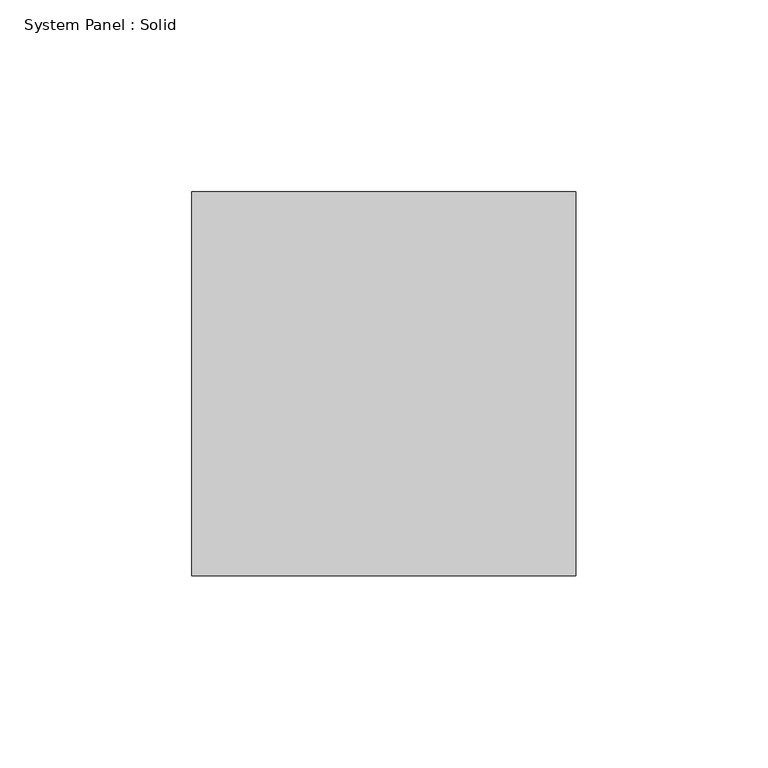
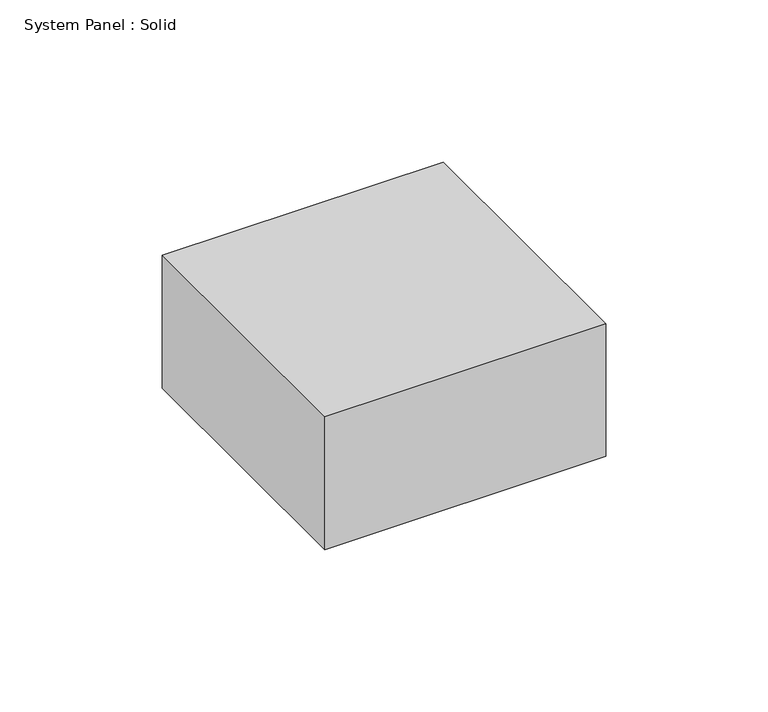
"""IFC4 building model written with IfcOpenShell, lengths in millimetres: plate geometry, System Panel : Solid."""

from ifc_helpers import new_model, si_unit, origin, origin_with_axes, place, context, project, spatial, polyline, outline, extrude, source, transform, mapped, element, save


def system_panel_solid_93da564b(model_context):
    return source(origin(), model_context, "Body", "SweptSolid", [
        extrude(outline(polyline([(49.9999998, 50.0), (-49.9999998, 50.0), (-49.9999998, 150.0), (49.9999998, 150.0), (49.9999998, 50.0)])), origin_with_axes(), (0.0, 0.0, 1.0), 50.0),
    ])


if __name__ == "__main__":
    model = new_model("IFC4")
    model_context = context("Model", 3, world=origin())
    ifc_project = project(units=[si_unit("LENGTHUNIT", "METRE", prefix="MILLI")], contexts=[model_context])
    site = spatial("IfcSite", under=ifc_project)
    building = spatial("IfcBuilding", under=site)
    placement = place(None, origin())
    system_panel_solid_shape = system_panel_solid_93da564b(model_context)
    element("IfcPlate", 1, ObjectType="System Panel : Solid", at=placement, inside=building, context=model_context, shape_type="MappedRepresentation", body=[
        mapped(system_panel_solid_shape, transform((0.0, 0.0, 0.0), x_axis=(1.0, 0.0, 0.0), y_axis=(0.0, 1.0, 0.0), z_axis=(0.0, 0.0, 1.0))),
    ])
    save(model, "model.ifc")
